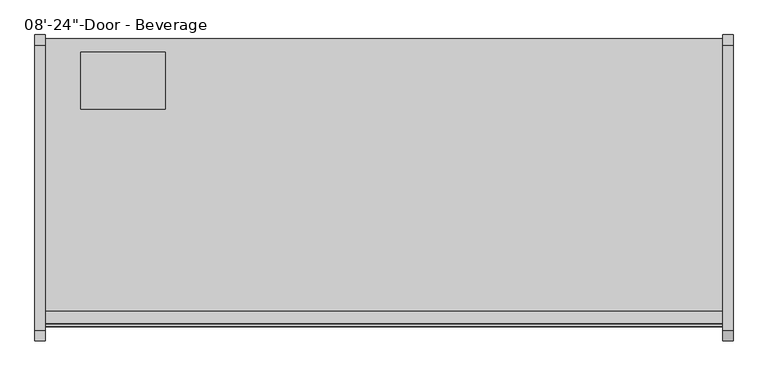
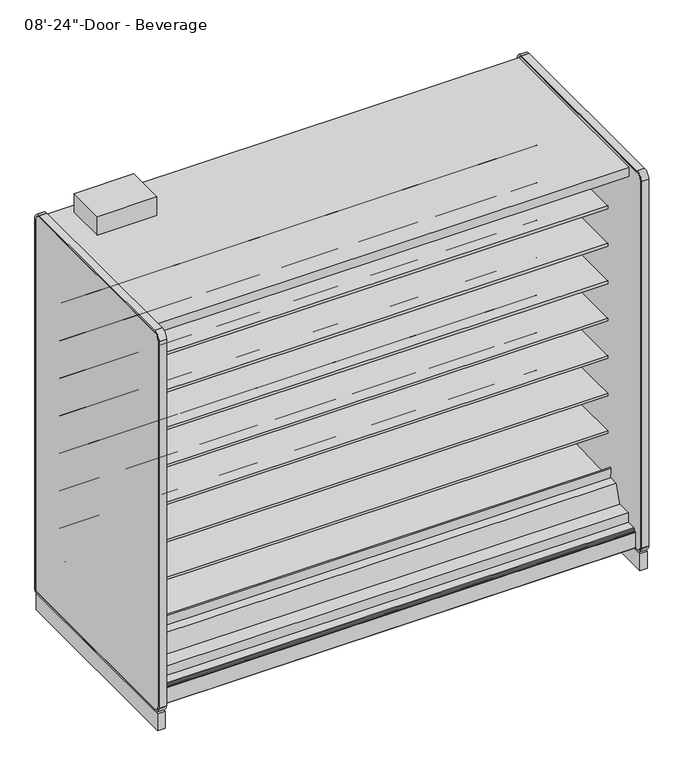
"""IFC4 building model written with IfcOpenShell, lengths in millimetres: proxy geometry."""

from ifc_helpers import new_model, si_unit, point, frame, frame_2d, origin, origin_with_axes, place, context, project, spatial, polyline, circle_curve, trimmed, segment, composite_curve, outline, extrude, source, transform, mapped, element, save
from ifc_brep_helpers import plane_surface, cylinder_surface, revolved_surface, advanced_brep


def proxy_2e46447c(model_context):
    return source(origin(), model_context, "Body", "SolidModel", [
        extrude(outline(composite_curve([segment(polyline([(-454.7591365, 587.0133455), (-454.7591365, 512.2441036), (-474.271416, 511.9123192)]), True, "CONTINUOUS"), segment(trimmed(circle_curve(frame_2d((-474.703252, 537.308648)), 25.4), [point((-474.271416, 511.9123192))], [point((-490.6806083, 517.5631653))], False, "CARTESIAN"), True, "CONTINUOUS"), segment(polyline([(-490.6806083, 517.5631653), (-508.5326694, 532.0084308)]), True, "CONTINUOUS"), segment(trimmed(circle_curve(frame_2d((-548.4760601, 482.6447241)), 63.5), [point((-508.5326694, 532.0084308))], [point((-540.5781788, 545.651656))], True, "CARTESIAN"), True, "CONTINUOUS"), segment(polyline([(-540.5781788, 545.651656), (-882.0268465, 569.3487934), (-883.515623, 572.7893455), (-1140.5591365, 572.7893455), (-1140.5591365, 587.0133455), (-454.7591365, 587.0133455)]), True, "CONTINUOUS")], self_intersect=False)), frame((0.0, 0.0, 0.0), z_axis=(1.0, 0.0, 0.0), x_axis=(0.0, 1.0, 0.0)), (0.0, 0.0, 1.0), 2438.4),
        extrude(outline(composite_curve([segment(polyline([(-454.7591365, 790.2133624), (-454.7591365, 715.4441204), (-474.271416, 715.112336)]), True, "CONTINUOUS"), segment(trimmed(circle_curve(frame_2d((-474.703252, 740.5086648)), 25.4), [point((-474.271416, 715.112336))], [point((-490.6806083, 720.7631821))], False, "CARTESIAN"), True, "CONTINUOUS"), segment(polyline([(-490.6806083, 720.7631821), (-508.5326694, 735.2084477)]), True, "CONTINUOUS"), segment(trimmed(circle_curve(frame_2d((-548.4760601, 685.8447409)), 63.5), [point((-508.5326694, 735.2084477))], [point((-540.5781788, 748.8516729))], True, "CARTESIAN"), True, "CONTINUOUS"), segment(polyline([(-540.5781788, 748.8516729), (-882.0268465, 772.5488103), (-883.515623, 775.9893624), (-1140.5591365, 775.9893624), (-1140.5591365, 790.2133624), (-454.7591365, 790.2133624)]), True, "CONTINUOUS")], self_intersect=False)), frame((0.0, 0.0, 0.0), z_axis=(1.0, 0.0, 0.0), x_axis=(0.0, 1.0, 0.0)), (0.0, 0.0, 1.0), 2438.4),
        extrude(outline(composite_curve([segment(polyline([(-454.7591365, 993.4133793), (-454.7591365, 918.6441373), (-474.271416, 918.3123529)]), True, "CONTINUOUS"), segment(trimmed(circle_curve(frame_2d((-474.703252, 943.7086817)), 25.4), [point((-474.271416, 918.3123529))], [point((-490.6806083, 923.963199))], False, "CARTESIAN"), True, "CONTINUOUS"), segment(polyline([(-490.6806083, 923.963199), (-508.5326694, 938.4084646)]), True, "CONTINUOUS"), segment(trimmed(circle_curve(frame_2d((-548.4760601, 889.0447578)), 63.5), [point((-508.5326694, 938.4084646))], [point((-540.5781788, 952.0516897))], True, "CARTESIAN"), True, "CONTINUOUS"), segment(polyline([(-540.5781788, 952.0516897), (-882.0268465, 975.7488272), (-883.515623, 979.1893793), (-1140.5591365, 979.1893793), (-1140.5591365, 993.4133793), (-454.7591365, 993.4133793)]), True, "CONTINUOUS")], self_intersect=False)), frame((0.0, 0.0, 0.0), z_axis=(1.0, 0.0, 0.0), x_axis=(0.0, 1.0, 0.0)), (0.0, 0.0, 1.0), 2438.4),
        extrude(outline(composite_curve([segment(polyline([(-454.7591365, 1196.6133961), (-454.7591365, 1121.8441542), (-474.271416, 1121.5123698)]), True, "CONTINUOUS"), segment(trimmed(circle_curve(frame_2d((-474.703252, 1146.9086986)), 25.4), [point((-474.271416, 1121.5123698))], [point((-490.6806083, 1127.1632159))], False, "CARTESIAN"), True, "CONTINUOUS"), segment(polyline([(-490.6806083, 1127.1632159), (-508.5326694, 1141.6084814)]), True, "CONTINUOUS"), segment(trimmed(circle_curve(frame_2d((-548.4760601, 1092.2447747)), 63.5), [point((-508.5326694, 1141.6084814))], [point((-540.5781788, 1155.2517066))], True, "CARTESIAN"), True, "CONTINUOUS"), segment(polyline([(-540.5781788, 1155.2517066), (-882.0268465, 1178.948844), (-883.515623, 1182.3893961), (-1140.5591365, 1182.3893961), (-1140.5591365, 1196.6133961), (-454.7591365, 1196.6133961)]), True, "CONTINUOUS")], self_intersect=False)), frame((0.0, 0.0, 0.0), z_axis=(1.0, 0.0, 0.0), x_axis=(0.0, 1.0, 0.0)), (0.0, 0.0, 1.0), 2438.4),
        extrude(outline(composite_curve([segment(polyline([(-454.7591365, 1399.813413), (-454.7591365, 1325.044171), (-474.271416, 1324.7123866)]), True, "CONTINUOUS"), segment(trimmed(circle_curve(frame_2d((-474.703252, 1350.1087155)), 25.4), [point((-474.271416, 1324.7123866))], [point((-490.6806083, 1330.3632328))], False, "CARTESIAN"), True, "CONTINUOUS"), segment(polyline([(-490.6806083, 1330.3632328), (-508.5326694, 1344.8084983)]), True, "CONTINUOUS"), segment(trimmed(circle_curve(frame_2d((-548.4760601, 1295.4447915)), 63.5), [point((-508.5326694, 1344.8084983))], [point((-540.5781788, 1358.4517235))], True, "CARTESIAN"), True, "CONTINUOUS"), segment(polyline([(-540.5781788, 1358.4517235), (-882.0268465, 1382.1488609), (-883.515623, 1385.589413), (-1140.5591365, 1385.589413), (-1140.5591365, 1399.813413), (-454.7591365, 1399.813413)]), True, "CONTINUOUS")], self_intersect=False)), frame((0.0, 0.0, 0.0), z_axis=(1.0, 0.0, 0.0), x_axis=(0.0, 1.0, 0.0)), (0.0, 0.0, 1.0), 2438.4),
        extrude(outline(composite_curve([segment(polyline([(-454.7591365, 1603.0134299), (-454.7591365, 1528.2441879), (-474.271416, 1527.9124035)]), True, "CONTINUOUS"), segment(trimmed(circle_curve(frame_2d((-474.703252, 1553.3087323)), 25.4), [point((-474.271416, 1527.9124035))], [point((-490.6806083, 1533.5632496))], False, "CARTESIAN"), True, "CONTINUOUS"), segment(polyline([(-490.6806083, 1533.5632496), (-508.5326694, 1548.0085152)]), True, "CONTINUOUS"), segment(trimmed(circle_curve(frame_2d((-548.4760601, 1498.6448084)), 63.5), [point((-508.5326694, 1548.0085152))], [point((-540.5781788, 1561.6517403))], True, "CARTESIAN"), True, "CONTINUOUS"), segment(polyline([(-540.5781788, 1561.6517403), (-882.0268465, 1585.3488778), (-883.515623, 1588.7894299), (-1140.5591365, 1588.7894299), (-1140.5591365, 1603.0134299), (-454.7591365, 1603.0134299)]), True, "CONTINUOUS")], self_intersect=False)), frame((0.0, 0.0, 0.0), z_axis=(1.0, 0.0, 0.0), x_axis=(0.0, 1.0, 0.0)), (0.0, 0.0, 1.0), 2438.4),
        extrude(outline(composite_curve([segment(polyline([(-454.7591365, 1806.2134975), (-454.7591365, 1731.4442556), (-474.271416, 1731.1124712)]), True, "CONTINUOUS"), segment(trimmed(circle_curve(frame_2d((-474.703252, 1756.5088)), 25.4), [point((-474.271416, 1731.1124712))], [point((-490.6806083, 1736.7633173))], False, "CARTESIAN"), True, "CONTINUOUS"), segment(polyline([(-490.6806083, 1736.7633173), (-508.5326694, 1751.2085828)]), True, "CONTINUOUS"), segment(trimmed(circle_curve(frame_2d((-548.4760601, 1701.8448761)), 63.5), [point((-508.5326694, 1751.2085828))], [point((-540.5781788, 1764.851808))], True, "CARTESIAN"), True, "CONTINUOUS"), segment(polyline([(-540.5781788, 1764.851808), (-882.0268465, 1788.5489454), (-883.515623, 1791.9894975), (-1140.5591365, 1791.9894975), (-1140.5591365, 1806.2134975), (-454.7591365, 1806.2134975)]), True, "CONTINUOUS")], self_intersect=False)), frame((0.0, 0.0, 0.0), z_axis=(1.0, 0.0, 0.0), x_axis=(0.0, 1.0, 0.0)), (0.0, 0.0, 1.0), 2438.4),
        extrude(outline(polyline([(0.0, -1311.974344), (0.0, -1337.374344), (-2.5796875, -1337.374344), (-2.5796875, -1311.974344), (0.0, -1311.974344)])), frame((0.0, 0.0, 252.8737805), z_axis=(0.0, 0.0, 1.0), x_axis=(1.0, 0.0, 0.0)), (0.0, 0.0, 1.0), 1827.8179128),
        extrude(outline(composite_curve([segment(trimmed(circle_curve(frame_2d((234.95, 2360.4737514)), 12.7), [point((247.65, 2360.4737514))], [point((222.25, 2360.4737514))], False, "CARTESIAN"), True, "CONTINUOUS"), segment(trimmed(circle_curve(frame_2d((234.95, 2360.4737514)), 12.7), [point((222.25, 2360.4737514))], [point((247.65, 2360.4737514))], False, "CARTESIAN"), True, "CONTINUOUS")], self_intersect=False)), frame((0.0, -399.5252577, 0.0), z_axis=(0.0, 1.0, 0.0), x_axis=(0.0, 0.0, 1.0)), (0.0, 0.0, 1.0), 50.5181304),
        extrude(outline(composite_curve([segment(trimmed(circle_curve(frame_2d((234.95, 2314.4472509)), 9.525), [point((244.475, 2314.4472509))], [point((225.425, 2314.4472509))], False, "CARTESIAN"), True, "CONTINUOUS"), segment(trimmed(circle_curve(frame_2d((234.95, 2314.4472509)), 9.525), [point((225.425, 2314.4472509))], [point((244.475, 2314.4472509))], False, "CARTESIAN"), True, "CONTINUOUS")], self_intersect=False)), frame((0.0, -399.5252577, 0.0), z_axis=(0.0, 1.0, 0.0), x_axis=(0.0, 0.0, 1.0)), (0.0, 0.0, 1.0), 50.5181304),
        advanced_brep(
        [(2438.4, -349.0071273, 104.775), (2438.4, -349.0071273, 2130.425), (2438.4, -1329.436844, 2130.425), (2438.4, -1329.436844, 2080.6916932), (2438.4, -403.9576348, 2080.6916932), (2438.4, -403.9576348, 191.9712577), (2438.4, -1233.6520806, 158.2443144), (2438.4, -1324.5178752, 168.8736205), (2438.4, -1324.5178752, 201.2766923), (2438.4, -1373.7502971, 201.2766923), (2438.4, -1376.4137132, 197.8095897), (2438.4, -1376.4137132, 188.9614574), (2438.4, -1385.2191773, 188.9614574), (2438.4, -1386.7939773, 187.3866574), (2438.4, -1386.7939773, 185.7356574), (2438.4, -1387.6575773, 185.7356574), (2438.4, -1387.6575773, 101.7483517), (2438.4, -1384.5102631, 101.0506089), (2438.4, -1382.7735511, 104.775), (0.0, -349.0071273, 104.775), (0.0, -1382.7735511, 104.775), (0.0, -1384.5102631, 101.0506089), (0.0, -1387.6575773, 101.7483517), (0.0, -1387.6575773, 185.7356574), (0.0, -1386.7939773, 185.7356574), (0.0, -1386.7939773, 187.3866574), (0.0, -1385.2191773, 188.9614574), (0.0, -1376.4137132, 188.9614574), (0.0, -1376.4137132, 197.8095897), (0.0, -1373.7502971, 201.2766923), (0.0, -1324.5178752, 201.2766923), (0.0, -1324.5178752, 168.8736205), (0.0, -1233.6520806, 158.2443144), (0.0, -403.9576348, 191.9712577), (0.0, -403.9576348, 2080.6916932), (0.0, -1329.436844, 2080.6916932), (0.0, -1329.436844, 2130.425), (0.0, -349.0071273, 2130.425), (2336.8, -349.0071273, 184.15), (2336.8, -349.0071273, 285.75), (2336.8, -399.5252577, 184.15), (2336.8, -399.5252577, 285.75)],
        [
            (0, 1),
            (1, 2),
            (2, 3),
            (3, 4),
            (4, 5),
            (5, 6),
            (6, 7),
            (7, 8),
            (8, 9),
            (9, 10, circle_curve(frame((2438.4, -1372.3299277, 197.4290047), z_axis=(1.0, 0.0, 0.0), x_axis=(0.0, 1.0, 0.0)), 4.1014814)),
            (10, 11),
            (11, 12),
            (12, 13, circle_curve(frame((2438.4, -1385.2191773, 187.3866574), z_axis=(1.0, 0.0, 0.0), x_axis=(0.0, 1.0, 0.0)), 1.5748)),
            (13, 14),
            (14, 15),
            (15, 16),
            (16, 17, circle_curve(frame((2438.4, -1386.0065773, 101.7483517), z_axis=(1.0, 0.0, 0.0), x_axis=(0.0, 1.0, 0.0)), 1.651)),
            (17, 18),
            (18, 0),
            (19, 20),
            (20, 21),
            (21, 22, circle_curve(frame((0.0, -1386.0065773, 101.7483517), z_axis=(-1.0, 0.0, 0.0), x_axis=(0.0, 1.0, 0.0)), 1.651)),
            (22, 23),
            (23, 24),
            (24, 25),
            (25, 26, circle_curve(frame((0.0, -1385.2191773, 187.3866574), z_axis=(-1.0, 0.0, 0.0), x_axis=(0.0, 1.0, 0.0)), 1.5748)),
            (26, 27),
            (27, 28),
            (28, 29, circle_curve(frame((0.0, -1372.3299277, 197.4290047), z_axis=(-1.0, 0.0, 0.0), x_axis=(0.0, 1.0, 0.0)), 4.1014814)),
            (29, 30),
            (30, 31),
            (31, 32),
            (32, 33),
            (33, 34),
            (34, 35),
            (35, 36),
            (36, 37),
            (37, 19),
            (0, 19),
            (37, 1),
            (38, 39, circle_curve(frame((2336.8, -349.0071273, 234.95), z_axis=(0.0, -1.0, 0.0), x_axis=(0.0, 0.0, 1.0)), 50.8)),
            (39, 38, circle_curve(frame((2336.8, -349.0071273, 234.95), z_axis=(0.0, -1.0, 0.0), x_axis=(0.0, 0.0, 1.0)), 50.8)),
            (18, 20),
            (36, 2),
            (35, 3),
            (34, 4),
            (33, 5),
            (32, 6),
            (31, 7),
            (30, 8),
            (29, 9),
            (28, 10),
            (27, 11),
            (26, 12),
            (25, 13),
            (24, 14),
            (23, 15),
            (22, 16),
            (21, 17),
            (40, 41, circle_curve(frame((2336.8, -399.5252577, 234.95), z_axis=(0.0, 1.0, 0.0), x_axis=(0.0, 0.0, 1.0)), 50.8)),
            (41, 40, circle_curve(frame((2336.8, -399.5252577, 234.95), z_axis=(0.0, 1.0, 0.0), x_axis=(0.0, 0.0, 1.0)), 50.8)),
            (41, 39),
            (38, 40),
        ],
        [
            plane_surface(frame((2438.4, -349.0071273, 2132.8596217), z_axis=(1.0, 0.0, 0.0), x_axis=(0.0, 0.0, 1.0))),
            plane_surface(frame((0.0, -349.0071273, 2132.8596217), z_axis=(-1.0, 0.0, 0.0), x_axis=(0.0, 0.0, -1.0))),
            plane_surface(frame((2438.4, -349.0071273, 104.775), z_axis=(0.0, 1.0, 0.0), x_axis=(-1.0, 0.0, 0.0))),
            plane_surface(frame((2438.4, -1382.7735511, 104.775), z_axis=(0.0, 0.0, -1.0), x_axis=(-1.0, 0.0, 0.0))),
            plane_surface(frame((2438.4, -349.0071273, 2130.425), z_axis=(0.0, 0.0, 1.0), x_axis=(-1.0, 0.0, 0.0))),
            plane_surface(frame((2438.4, -1329.436844, 2130.425), z_axis=(0.0, -1.0, 0.0), x_axis=(-1.0, 0.0, 0.0))),
            plane_surface(frame((2438.4, -1329.436844, 2080.6916932), z_axis=(0.0, 0.0, -1.0), x_axis=(-1.0, 0.0, 0.0))),
            plane_surface(frame((2438.4, -403.9576348, 2080.6916932), z_axis=(0.0, -1.0, 0.0), x_axis=(-1.0, 0.0, 0.0))),
            plane_surface(frame((2438.4, -403.9576348, 191.9712577), z_axis=(0.0, -0.04061629258568852, 0.999174817925569), x_axis=(-1.0, 0.0, 0.0))),
            plane_surface(frame((2438.4, -1233.6520806, 158.2443144), z_axis=(0.0, 0.11618584341211524, 0.9932274914593411), x_axis=(-1.0, 0.0, 0.0))),
            plane_surface(frame((2438.4, -1324.5178752, 168.8736205), z_axis=(0.0, 1.0, 0.0), x_axis=(-1.0, 0.0, 0.0))),
            plane_surface(frame((2438.4, -1324.5178752, 201.2766923), z_axis=(0.0, 0.0, 1.0), x_axis=(-1.0, 0.0, 0.0))),
            cylinder_surface(frame((0.0, -1372.3299277, 197.4290047), z_axis=(1.0, 0.0, 0.0), x_axis=(0.0, 1.0, 0.0)), 4.1014814),
            plane_surface(frame((2438.4, -1376.4137132, 197.8095897), z_axis=(0.0, -1.0, 0.0), x_axis=(-1.0, 0.0, 0.0))),
            plane_surface(frame((2438.4, -1376.4137132, 188.9614574), z_axis=(0.0, 0.0, 1.0), x_axis=(-1.0, 0.0, 0.0))),
            cylinder_surface(frame((0.0, -1385.2191773, 187.3866574), z_axis=(1.0, 0.0, 0.0), x_axis=(0.0, 1.0, 0.0)), 1.5748),
            plane_surface(frame((2438.4, -1386.7939773, 187.3866574), z_axis=(0.0, -1.0, 0.0), x_axis=(-1.0, 0.0, 0.0))),
            plane_surface(frame((2438.4, -1386.7939773, 185.7356574), z_axis=(0.0, 0.0, 1.0), x_axis=(-1.0, 0.0, 0.0))),
            plane_surface(frame((2438.4, -1387.6575773, 185.7356574), z_axis=(0.0, -1.0, 0.0), x_axis=(-1.0, 0.0, 0.0))),
            cylinder_surface(frame((0.0, -1386.0065773, 101.7483517), z_axis=(1.0, 0.0, 0.0), x_axis=(0.0, 1.0, 0.0)), 1.651),
            plane_surface(frame((2438.4, -1384.5102631, 101.0506089), z_axis=(0.0, 0.9063077870366392, -0.4226182617407228), x_axis=(-1.0, 0.0, 0.0))),
            plane_surface(frame((2336.8, -399.5252577, 285.75), z_axis=(0.0, 1.0, 0.0), x_axis=(-1.0, 0.0, 0.0))),
            revolved_surface(polyline([(2336.8, -399.5252577, 285.75), (2336.8, -349.0071273, 285.75)]), (2336.8, -349.0071273, 234.95), (0.0, -1.0, 0.0)),
        ],
        [
            (0, [[1, 2, 3, 4, 5, 6, 7, 8, 9, 10, 11, 12, 13, 14, 15, 16, 17, 18, 19]]),
            (1, [[20, 21, 22, 23, 24, 25, 26, 27, 28, 29, 30, 31, 32, 33, 34, 35, 36, 37, 38]]),
            (2, [[-1, 39, -38, 40], [41, 42]]),
            (3, [[-19, 43, -20, -39]]),
            (4, [[-2, -40, -37, 44]]),
            (5, [[-3, -44, -36, 45]]),
            (6, [[-4, -45, -35, 46]]),
            (7, [[-5, -46, -34, 47]]),
            (8, [[-6, -47, -33, 48]]),
            (9, [[-7, -48, -32, 49]]),
            (10, [[-8, -49, -31, 50]]),
            (11, [[-9, -50, -30, 51]]),
            (12, [[-10, -51, -29, 52]]),
            (13, [[-11, -52, -28, 53]]),
            (14, [[-12, -53, -27, 54]]),
            (15, [[-13, -54, -26, 55]]),
            (16, [[-14, -55, -25, 56]]),
            (17, [[-15, -56, -24, 57]]),
            (18, [[-16, -57, -23, 58]]),
            (19, [[-17, -58, -22, 59]]),
            (20, [[-18, -59, -21, -43]]),
            (21, [[60, 61]]),
            (22, [[-61, 62, -41, 63]]),
            (22, [[-60, -63, -42, -62]]),
        ],
    ),
        extrude(outline(composite_curve([segment(polyline([(-538.5972303, 351.4802626), (-1154.388777, 327.2645134)]), True, "CONTINUOUS"), segment(trimmed(circle_curve(frame_2d((-1154.8189466, 338.2034585)), 10.9474), [point((-1154.388777, 327.2645134))], [point((-1165.7578917, 337.773289))], False, "CARTESIAN"), True, "CONTINUOUS"), segment(polyline([(-1165.7578917, 337.773289), (-1168.1692364, 399.0922948)]), True, "CONTINUOUS"), segment(trimmed(circle_curve(frame_2d((-1164.2860378, 399.245)), 3.8862), [point((-1168.1692364, 399.0922948))], [point((-1160.4028391, 399.3977051))], False, "CARTESIAN"), True, "CONTINUOUS"), segment(polyline([(-1160.4028391, 399.3977051), (-1157.9914945, 338.0786994)]), True, "CONTINUOUS"), segment(trimmed(circle_curve(frame_2d((-1154.8189466, 338.2034585)), 3.175), [point((-1157.9914945, 338.0786994))], [point((-1154.6941874, 335.0309106))], True, "CARTESIAN"), True, "CONTINUOUS"), segment(polyline([(-1154.6941874, 335.0309106), (-531.8538504, 359.5238507)]), True, "CONTINUOUS"), segment(trimmed(circle_curve(frame_2d((-531.6974468, 355.6351883)), 3.8918064), [point((-531.8538504, 359.5238507))], [point((-531.2499972, 351.7691895))], False, "CARTESIAN"), True, "CONTINUOUS"), segment(polyline([(-531.2499972, 351.7691895), (-538.5972303, 351.4802626)]), True, "CONTINUOUS")], self_intersect=False)), frame((0.0, 0.0, 0.0), z_axis=(1.0, 0.0, 0.0), x_axis=(0.0, 1.0, 0.0)), (0.0, 0.0, 1.0), 2438.4),
        extrude(outline(polyline([(-403.9576348, 191.9712577), (-1233.6520806, 158.2443144), (-1324.5178752, 168.8736205), (-1324.5178752, 252.8737805), (-1245.7743426, 252.8737805), (-1214.6387574, 346.8534577), (-1169.1341365, 348.4440826), (-1169.1341365, 325.727789), (-525.3143623, 351.8989573), (-525.3143623, 370.9489573), (-468.1992452, 372.9454299), (-468.1992452, 376.1204299), (-454.7591365, 376.1204299), (-454.7591365, 268.1711844), (-403.9576348, 268.1711844), (-403.9576348, 191.9712577)])), frame((0.0, 0.0, 0.0), z_axis=(1.0, 0.0, 0.0), x_axis=(0.0, 1.0, 0.0)), (0.0, 0.0, 1.0), 2438.4),
        extrude(outline(polyline([(-403.9576348, 268.1711844), (-454.7591365, 268.1711844), (-454.7591365, 2052.6003941), (-1174.1318532, 2052.6003941), (-1284.0733806, 2079.0595231), (-1284.0733806, 2080.6916932), (-403.9576348, 2080.6916932), (-403.9576348, 268.1711844)])), frame((0.0, 0.0, 0.0), z_axis=(1.0, 0.0, 0.0), x_axis=(0.0, 1.0, 0.0)), (0.0, 0.0, 1.0), 2438.4),
        extrude(outline(composite_curve([segment(trimmed(circle_curve(frame_2d((1219.2, -1072.9071273)), 38.1), [point((1181.1, -1072.9071273))], [point((1257.3, -1072.9071273))], False, "CARTESIAN"), True, "CONTINUOUS"), segment(trimmed(circle_curve(frame_2d((1219.2, -1072.9071273)), 38.1), [point((1257.3, -1072.9071273))], [point((1181.1, -1072.9071273))], False, "CARTESIAN"), True, "CONTINUOUS")], self_intersect=False)), frame((0.0, 0.0, -5.8513653), z_axis=(0.0, 0.0, 1.0), x_axis=(1.0, 0.0, 0.0)), (0.0, 0.0, 1.0), 110.6263653),
        extrude(outline(composite_curve([segment(trimmed(circle_curve(frame_2d((2191.6604036, -1069.7321273)), 9.525), [point((2182.1354036, -1069.7321273))], [point((2201.1854036, -1069.7321273))], False, "CARTESIAN"), True, "CONTINUOUS"), segment(trimmed(circle_curve(frame_2d((2191.6604036, -1069.7321273)), 9.525), [point((2201.1854036, -1069.7321273))], [point((2182.1354036, -1069.7321273))], False, "CARTESIAN"), True, "CONTINUOUS")], self_intersect=False)), frame((0.0, 0.0, -5.8513653), z_axis=(0.0, 0.0, 1.0), x_axis=(1.0, 0.0, 0.0)), (0.0, 0.0, 1.0), 110.6263653),
        extrude(outline(composite_curve([segment(trimmed(circle_curve(frame_2d((2236.5868135, -1069.7321273)), 12.7), [point((2223.8868135, -1069.7321273))], [point((2249.2868135, -1069.7321273))], False, "CARTESIAN"), True, "CONTINUOUS"), segment(trimmed(circle_curve(frame_2d((2236.5868135, -1069.7321273)), 12.7), [point((2249.2868135, -1069.7321273))], [point((2223.8868135, -1069.7321273))], False, "CARTESIAN"), True, "CONTINUOUS")], self_intersect=False)), frame((0.0, 0.0, -5.8513653), z_axis=(0.0, 0.0, 1.0), x_axis=(1.0, 0.0, 0.0)), (0.0, 0.0, 1.0), 110.6263653),
        extrude(outline(polyline([(127.0, -603.0071273), (127.0, -397.0385273), (431.8, -397.0385273), (431.8, -603.0071273), (127.0, -603.0071273)])), frame((0.0, 0.0, 2130.425), z_axis=(0.0, 0.0, 1.0), x_axis=(1.0, 0.0, 0.0)), (0.0, 0.0, 1.0), 101.6),
        extrude(outline(composite_curve([segment(polyline([(-1399.9321273, 2155.825), (-372.4698732, 2155.825)]), True, "CONTINUOUS"), segment(trimmed(circle_curve(frame_2d((-372.4698732, 2117.725)), 38.1), [point((-372.4698732, 2155.825))], [point((-334.3698732, 2117.725))], False, "CARTESIAN"), True, "CONTINUOUS"), segment(polyline([(-334.3698732, 2117.725), (-334.3698732, 104.7405759)]), True, "CONTINUOUS"), segment(trimmed(circle_curve(frame_2d((-347.0698732, 104.7405759)), 12.7), [point((-334.3698732, 104.7405759))], [point((-347.0698732, 92.0405759))], False, "CARTESIAN"), True, "CONTINUOUS"), segment(polyline([(-347.0698732, 92.0405759), (-1399.9321273, 92.0405759)]), True, "CONTINUOUS"), segment(trimmed(circle_curve(frame_2d((-1399.9321273, 130.1405759)), 38.1), [point((-1399.9321273, 92.0405759))], [point((-1438.0321273, 130.1405759))], False, "CARTESIAN"), True, "CONTINUOUS"), segment(polyline([(-1438.0321273, 130.1405759), (-1438.0321273, 2117.725)]), True, "CONTINUOUS"), segment(trimmed(circle_curve(frame_2d((-1399.9321273, 2117.725)), 38.1), [point((-1438.0321273, 2117.725))], [point((-1399.9321273, 2155.825))], False, "CARTESIAN"), True, "CONTINUOUS")], self_intersect=False), holes=[composite_curve([segment(polyline([(-1399.9321273, 101.5655759), (-347.0698732, 101.5655759)]), True, "CONTINUOUS"), segment(trimmed(circle_curve(frame_2d((-347.0698732, 104.7405759)), 3.175), [point((-347.0698732, 101.5655759))], [point((-343.8948732, 104.7405759))], True, "CARTESIAN"), True, "CONTINUOUS"), segment(polyline([(-343.8948732, 104.7405759), (-343.8948732, 2117.725)]), True, "CONTINUOUS"), segment(trimmed(circle_curve(frame_2d((-372.4698732, 2117.725)), 28.575), [point((-343.8948732, 2117.725))], [point((-372.4698732, 2146.3))], True, "CARTESIAN"), True, "CONTINUOUS"), segment(polyline([(-372.4698732, 2146.3), (-1399.9321273, 2146.3)]), True, "CONTINUOUS"), segment(trimmed(circle_curve(frame_2d((-1399.9321273, 2117.725)), 28.575), [point((-1399.9321273, 2146.3))], [point((-1428.5071273, 2117.725))], True, "CARTESIAN"), True, "CONTINUOUS"), segment(polyline([(-1428.5071273, 2117.725), (-1428.5071273, 130.1405759)]), True, "CONTINUOUS"), segment(trimmed(circle_curve(frame_2d((-1399.9321273, 130.1405759)), 28.575), [point((-1428.5071273, 130.1405759))], [point((-1399.9321273, 101.5655759))], True, "CARTESIAN"), True, "CONTINUOUS")], self_intersect=False)]), frame((-38.1, 0.0, 0.0), z_axis=(1.0, 0.0, 0.0), x_axis=(0.0, 1.0, 0.0)), (0.0, 0.0, 1.0), 38.1),
        extrude(outline(composite_curve([segment(polyline([(-1399.9321273, 2146.3), (-372.4698732, 2146.3)]), True, "CONTINUOUS"), segment(trimmed(circle_curve(frame_2d((-372.4698732, 2117.725)), 28.575), [point((-372.4698732, 2146.3))], [point((-343.8948732, 2117.725))], False, "CARTESIAN"), True, "CONTINUOUS"), segment(polyline([(-343.8948732, 2117.725), (-343.8948732, 104.7405759)]), True, "CONTINUOUS"), segment(trimmed(circle_curve(frame_2d((-347.0698732, 104.7405759)), 3.175), [point((-343.8948732, 104.7405759))], [point((-347.0698732, 101.5655759))], False, "CARTESIAN"), True, "CONTINUOUS"), segment(polyline([(-347.0698732, 101.5655759), (-1399.9321273, 101.5655759)]), True, "CONTINUOUS"), segment(trimmed(circle_curve(frame_2d((-1399.9321273, 130.1405759)), 28.575), [point((-1399.9321273, 101.5655759))], [point((-1428.5071273, 130.1405759))], False, "CARTESIAN"), True, "CONTINUOUS"), segment(polyline([(-1428.5071273, 130.1405759), (-1428.5071273, 2117.725)]), True, "CONTINUOUS"), segment(trimmed(circle_curve(frame_2d((-1399.9321273, 2117.725)), 28.575), [point((-1428.5071273, 2117.725))], [point((-1399.9321273, 2146.3))], False, "CARTESIAN"), True, "CONTINUOUS")], self_intersect=False)), frame((-38.1, 0.0, 0.0), z_axis=(1.0, 0.0, 0.0), x_axis=(0.0, 1.0, 0.0)), (0.0, 0.0, 1.0), 38.1),
        extrude(outline(composite_curve([segment(polyline([(-1399.9321273, 2146.3), (-372.4698732, 2146.3)]), True, "CONTINUOUS"), segment(trimmed(circle_curve(frame_2d((-372.4698732, 2117.725)), 28.575), [point((-372.4698732, 2146.3))], [point((-343.8948732, 2117.725))], False, "CARTESIAN"), True, "CONTINUOUS"), segment(polyline([(-343.8948732, 2117.725), (-343.8948732, 104.7405759)]), True, "CONTINUOUS"), segment(trimmed(circle_curve(frame_2d((-347.0698732, 104.7405759)), 3.175), [point((-343.8948732, 104.7405759))], [point((-347.0698732, 101.5655759))], False, "CARTESIAN"), True, "CONTINUOUS"), segment(polyline([(-347.0698732, 101.5655759), (-1399.9321273, 101.5655759)]), True, "CONTINUOUS"), segment(trimmed(circle_curve(frame_2d((-1399.9321273, 130.1405759)), 28.575), [point((-1399.9321273, 101.5655759))], [point((-1428.5071273, 130.1405759))], False, "CARTESIAN"), True, "CONTINUOUS"), segment(polyline([(-1428.5071273, 130.1405759), (-1428.5071273, 2117.725)]), True, "CONTINUOUS"), segment(trimmed(circle_curve(frame_2d((-1399.9321273, 2117.725)), 28.575), [point((-1428.5071273, 2117.725))], [point((-1399.9321273, 2146.3))], False, "CARTESIAN"), True, "CONTINUOUS")], self_intersect=False)), frame((2438.4, 0.0, 0.0), z_axis=(1.0, 0.0, 0.0), x_axis=(0.0, 1.0, 0.0)), (0.0, 0.0, 1.0), 38.1),
        extrude(outline(composite_curve([segment(polyline([(-1399.9321273, 2155.825), (-372.4698732, 2155.825)]), True, "CONTINUOUS"), segment(trimmed(circle_curve(frame_2d((-372.4698732, 2117.725)), 38.1), [point((-372.4698732, 2155.825))], [point((-334.3698732, 2117.725))], False, "CARTESIAN"), True, "CONTINUOUS"), segment(polyline([(-334.3698732, 2117.725), (-334.3698732, 104.7405759)]), True, "CONTINUOUS"), segment(trimmed(circle_curve(frame_2d((-347.0698732, 104.7405759)), 12.7), [point((-334.3698732, 104.7405759))], [point((-347.0698732, 92.0405759))], False, "CARTESIAN"), True, "CONTINUOUS"), segment(polyline([(-347.0698732, 92.0405759), (-1399.9321273, 92.0405759)]), True, "CONTINUOUS"), segment(trimmed(circle_curve(frame_2d((-1399.9321273, 130.1405759)), 38.1), [point((-1399.9321273, 92.0405759))], [point((-1438.0321273, 130.1405759))], False, "CARTESIAN"), True, "CONTINUOUS"), segment(polyline([(-1438.0321273, 130.1405759), (-1438.0321273, 2117.725)]), True, "CONTINUOUS"), segment(trimmed(circle_curve(frame_2d((-1399.9321273, 2117.725)), 38.1), [point((-1438.0321273, 2117.725))], [point((-1399.9321273, 2155.825))], False, "CARTESIAN"), True, "CONTINUOUS")], self_intersect=False), holes=[composite_curve([segment(polyline([(-1399.9321273, 101.5655759), (-347.0698732, 101.5655759)]), True, "CONTINUOUS"), segment(trimmed(circle_curve(frame_2d((-347.0698732, 104.7405759)), 3.175), [point((-347.0698732, 101.5655759))], [point((-343.8948732, 104.7405759))], True, "CARTESIAN"), True, "CONTINUOUS"), segment(polyline([(-343.8948732, 104.7405759), (-343.8948732, 2117.725)]), True, "CONTINUOUS"), segment(trimmed(circle_curve(frame_2d((-372.4698732, 2117.725)), 28.575), [point((-343.8948732, 2117.725))], [point((-372.4698732, 2146.3))], True, "CARTESIAN"), True, "CONTINUOUS"), segment(polyline([(-372.4698732, 2146.3), (-1399.9321273, 2146.3)]), True, "CONTINUOUS"), segment(trimmed(circle_curve(frame_2d((-1399.9321273, 2117.725)), 28.575), [point((-1399.9321273, 2146.3))], [point((-1428.5071273, 2117.725))], True, "CARTESIAN"), True, "CONTINUOUS"), segment(polyline([(-1428.5071273, 2117.725), (-1428.5071273, 130.1405759)]), True, "CONTINUOUS"), segment(trimmed(circle_curve(frame_2d((-1399.9321273, 130.1405759)), 28.575), [point((-1428.5071273, 130.1405759))], [point((-1399.9321273, 101.5655759))], True, "CARTESIAN"), True, "CONTINUOUS")], self_intersect=False)]), frame((2438.4, 0.0, 0.0), z_axis=(1.0, 0.0, 0.0), x_axis=(0.0, 1.0, 0.0)), (0.0, 0.0, 1.0), 38.1),
        extrude(outline(polyline([(2476.5, -349.0071273), (2476.5, -1425.3321273), (2438.4, -1425.3321273), (2438.4, -349.0071273), (2476.5, -349.0071273)])), origin_with_axes(), (0.0, 0.0, 1.0), 92.075),
        extrude(outline(polyline([(0.0, -346.2385273), (0.0, -1425.3321273), (-38.1, -1425.3321273), (-38.1, -346.2385273), (0.0, -346.2385273)])), origin_with_axes(), (0.0, 0.0, 1.0), 92.075),
    ])


if __name__ == "__main__":
    model = new_model("IFC4")
    model_context = context("Model", 3, world=origin())
    ifc_project = project(units=[si_unit("LENGTHUNIT", "METRE", prefix="MILLI")], contexts=[model_context])
    site = spatial("IfcSite", under=ifc_project)
    building = spatial("IfcBuilding", under=site)
    placement = place(None, origin())
    proxy_shape = proxy_2e46447c(model_context)
    element("IfcBuildingElementProxy", 1, Name="08'-24\"-Door - Beverage", ObjectType="08'-24\"-Door - Beverage", at=placement, inside=building, context=model_context, shape_type="MappedRepresentation", body=[
        mapped(proxy_shape, transform((0.0, 0.0, 0.0), x_axis=(1.0, 0.0, 0.0), y_axis=(0.0, 1.0, 0.0), z_axis=(0.0, 0.0, 1.0))),
    ])
    save(model, "model.ifc")
